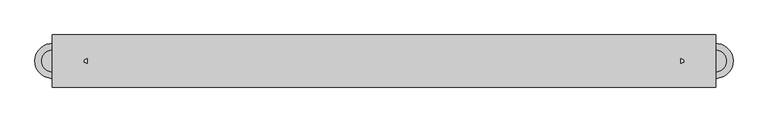
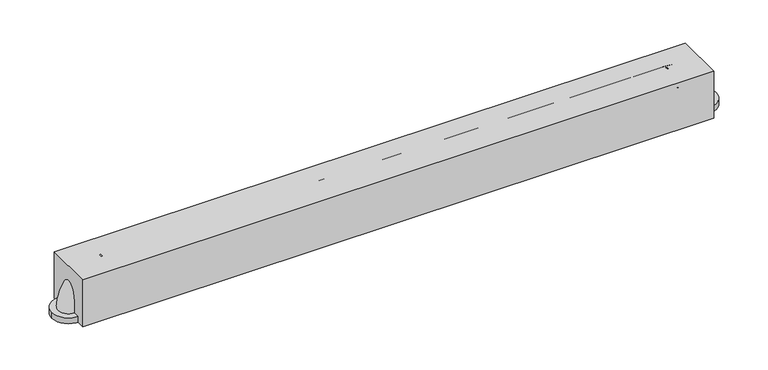
"""IFC4 building model written with IfcOpenShell, lengths in millimetres: proxy geometry."""

from ifc_helpers import new_model, si_unit, point, frame, frame_2d, origin, origin_with_axes, place, context, project, spatial, polyline, circle_curve, ellipse_curve, trimmed, segment, composite_curve, outline, extrude, source, transform, mapped, element, save
from ifc_brep_helpers import plane_surface, revolved_surface, advanced_brep


def specialty_equipment_91fd0b1d(model_context):
    return source(origin(), model_context, "Body", "SolidModel", [
        advanced_brep(
        [(434.2435861, 15.875, 60.325), (434.2435861, -15.875, 60.325), (485.0435861, 15.875, 9.525), (485.0435861, -15.875, 9.525)],
        [
            (0, 1, circle_curve(frame((434.2435861, 0.0, 60.325), z_axis=(-1.0, 0.0, 0.0), x_axis=(0.0, -1.0, 0.0)), 15.875)),
            (1, 0, circle_curve(frame((434.2435861, 0.0, 60.325), z_axis=(-1.0, 0.0, 0.0), x_axis=(0.0, -1.0, 0.0)), 15.875)),
            (2, 3, circle_curve(frame((485.0435861, 0.0, 9.525), z_axis=(0.0, 0.0, -1.0), x_axis=(0.0, -1.0, 0.0)), 15.875)),
            (3, 2, circle_curve(frame((485.0435861, 0.0, 9.525), z_axis=(0.0, 0.0, -1.0), x_axis=(0.0, -1.0, 0.0)), 15.875)),
            (2, 0, circle_curve(frame((434.2435861, 15.875, 9.525), z_axis=(0.0, -1.0, 0.0), x_axis=(0.0, 0.0, 1.0)), 50.8)),
            (1, 3, circle_curve(frame((434.2435861, -15.875, 9.525), z_axis=(0.0, 1.0, 0.0), x_axis=(0.0, 0.0, 1.0)), 50.8)),
        ],
        [
            plane_surface(frame((434.2435861, 0.0, 60.325), z_axis=(-1.0, 0.0, 0.0), x_axis=(0.0, -1.0, 0.0))),
            plane_surface(frame((485.0435861, 0.0, 9.525), z_axis=(0.0, 0.0, -1.0), x_axis=(0.0, -1.0, 0.0))),
            revolved_surface(trimmed(ellipse_curve(frame((434.2435861, 0.0, 60.325), z_axis=(1.0, 0.0, 0.0), x_axis=(0.0, -1.0, 0.0)), 15.875, 15.875), [point((434.2435861, 15.875, 60.325))], [point((434.2435861, -15.875, 60.325))], True, "CARTESIAN"), (434.2435861, 0.0, 9.525), (0.0, -1.0, 0.0)),
            revolved_surface(trimmed(ellipse_curve(frame((434.2435861, 0.0, 60.325), z_axis=(1.0, 0.0, 0.0), x_axis=(0.0, -1.0, 0.0)), 15.875, 15.875), [point((434.2435861, -15.875, 60.325))], [point((434.2435861, 15.875, 60.325))], True, "CARTESIAN"), (434.2435861, 0.0, 9.525), (0.0, -1.0, 0.0)),
        ],
        [
            (0, [[1, 2]]),
            (1, [[3, 4]]),
            (2, [[-3, 5, -2, 6]]),
            (3, [[-4, -6, -1, -5]]),
        ],
    ),
        extrude(outline(composite_curve([segment(trimmed(circle_curve(frame_2d((485.0435861, 0.0)), 25.4), [point((510.4435861, 0.0))], [point((459.6435861, 0.0))], False, "CARTESIAN"), True, "CONTINUOUS"), segment(trimmed(circle_curve(frame_2d((485.0435861, 0.0)), 25.4), [point((459.6435861, 0.0))], [point((510.4435861, 0.0))], False, "CARTESIAN"), True, "CONTINUOUS")], self_intersect=False)), origin_with_axes(), (0.0, 0.0, 1.0), 9.525),
        advanced_brep(
        [(-434.2435861, 15.875, 60.325), (-434.2435861, -15.875, 60.325), (-485.0435861, 15.875, 9.525), (-485.0435861, -15.875, 9.525)],
        [
            (0, 1, circle_curve(frame((-434.2435861, 0.0, 60.325), z_axis=(1.0, 0.0, 0.0), x_axis=(0.0, -1.0, 0.0)), 15.875)),
            (1, 0, circle_curve(frame((-434.2435861, 0.0, 60.325), z_axis=(1.0, 0.0, 0.0), x_axis=(0.0, -1.0, 0.0)), 15.875)),
            (2, 3, circle_curve(frame((-485.0435861, 0.0, 9.525), z_axis=(0.0, 0.0, -1.0), x_axis=(0.0, -1.0, 0.0)), 15.875)),
            (3, 2, circle_curve(frame((-485.0435861, 0.0, 9.525), z_axis=(0.0, 0.0, -1.0), x_axis=(0.0, -1.0, 0.0)), 15.875)),
            (3, 1, circle_curve(frame((-434.2435861, -15.875, 9.525), z_axis=(0.0, 1.0, 0.0), x_axis=(0.0, 0.0, 1.0)), 50.8)),
            (0, 2, circle_curve(frame((-434.2435861, 15.875, 9.525), z_axis=(0.0, -1.0, 0.0), x_axis=(0.0, 0.0, 1.0)), 50.8)),
        ],
        [
            plane_surface(frame((-434.2435861, 0.0, 60.325), z_axis=(1.0, 0.0, 0.0), x_axis=(0.0, -1.0, 0.0))),
            plane_surface(frame((-485.0435861, 0.0, 9.525), z_axis=(0.0, 0.0, -1.0), x_axis=(0.0, -1.0, 0.0))),
            revolved_surface(trimmed(ellipse_curve(frame((-434.2435861, 0.0, 60.325), z_axis=(1.0, 0.0, 0.0), x_axis=(0.0, -1.0, 0.0)), 15.875, 15.875), [point((-434.2435861, 15.875, 60.325))], [point((-434.2435861, -15.875, 60.325))], True, "CARTESIAN"), (-434.2435861, 0.0, 9.525), (0.0, -1.0, 0.0)),
            revolved_surface(trimmed(ellipse_curve(frame((-434.2435861, 0.0, 60.325), z_axis=(1.0, 0.0, 0.0), x_axis=(0.0, -1.0, 0.0)), 15.875, 15.875), [point((-434.2435861, -15.875, 60.325))], [point((-434.2435861, 15.875, 60.325))], True, "CARTESIAN"), (-434.2435861, 0.0, 9.525), (0.0, -1.0, 0.0)),
        ],
        [
            (0, [[1, 2]]),
            (1, [[3, 4]]),
            (2, [[5, -1, 6, -4]]),
            (3, [[-6, -2, -5, -3]]),
        ],
    ),
        extrude(outline(composite_curve([segment(trimmed(circle_curve(frame_2d((-485.0435861, 0.0)), 25.4), [point((-510.4435861, 0.0))], [point((-459.6435861, 0.0))], False, "CARTESIAN"), True, "CONTINUOUS"), segment(trimmed(circle_curve(frame_2d((-485.0435861, 0.0)), 25.4), [point((-459.6435861, 0.0))], [point((-510.4435861, 0.0))], False, "CARTESIAN"), True, "CONTINUOUS")], self_intersect=False)), origin_with_axes(), (0.0, 0.0, 1.0), 9.525),
        extrude(outline(polyline([(485.0435861, -38.1), (-485.0435861, -38.1), (-485.0435861, 38.1), (485.0435861, 38.1), (485.0435861, -38.1)])), origin_with_axes(), (0.0, 0.0, 1.0), 76.2),
        extrude(outline(composite_curve([segment(trimmed(circle_curve(frame_2d((0.0, 60.325)), 15.875), [point((-15.875, 60.325))], [point((15.875, 60.325))], False, "CARTESIAN"), True, "CONTINUOUS"), segment(trimmed(circle_curve(frame_2d((0.0, 60.325)), 15.875), [point((15.875, 60.325))], [point((-15.875, 60.325))], False, "CARTESIAN"), True, "CONTINUOUS")], self_intersect=False)), frame((-434.2435861, 0.0, 0.0), z_axis=(1.0, 0.0, 0.0), x_axis=(0.0, 1.0, 0.0)), (0.0, 0.0, 1.0), 868.4871723),
    ])


if __name__ == "__main__":
    model = new_model("IFC4")
    model_context = context("Model", 3, world=origin())
    ifc_project = project(units=[si_unit("LENGTHUNIT", "METRE", prefix="MILLI")], contexts=[model_context])
    site = spatial("IfcSite", under=ifc_project)
    building = spatial("IfcBuilding", under=site)
    placement = place(None, origin())
    specialty_equipment_shape = specialty_equipment_91fd0b1d(model_context)
    element("IfcBuildingElementProxy", 1, Name="Specialty Equipment", at=placement, inside=building, context=model_context, shape_type="MappedRepresentation", body=[
        mapped(specialty_equipment_shape, transform((0.0, 0.0, 0.0), x_axis=(1.0, 0.0, 0.0), y_axis=(0.0, 1.0, 0.0), z_axis=(0.0, 0.0, 1.0))),
    ])
    save(model, "model.ifc")
